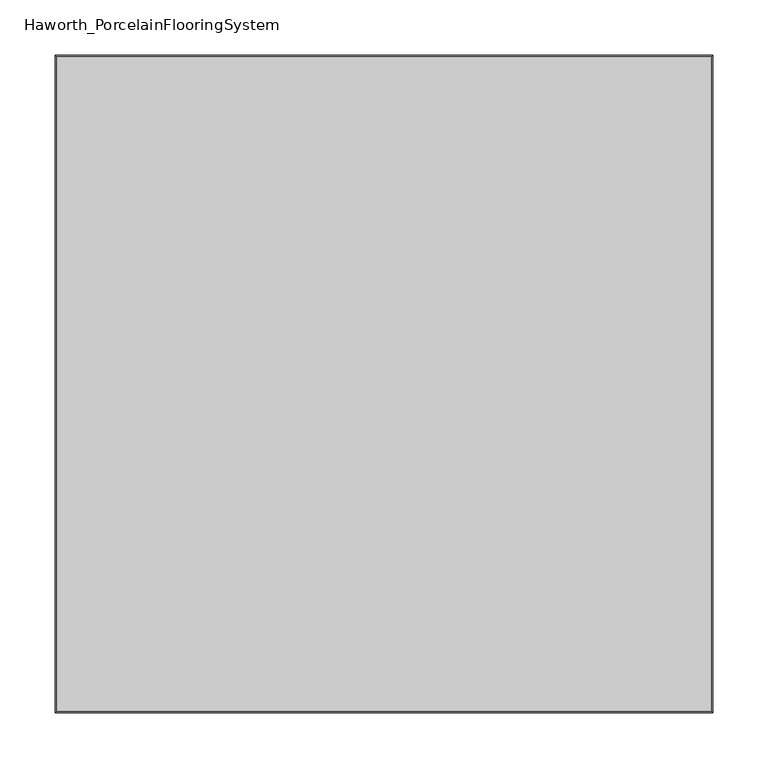
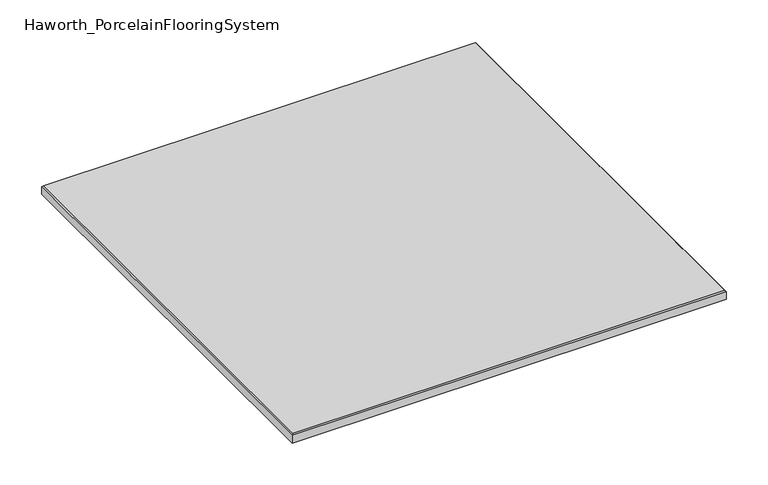
"""IFC4 building model written with IfcOpenShell, lengths in millimetres: proxy geometry, Haworth_PorcelainFlooringSystem."""

from ifc_helpers import new_model, si_unit, origin, place, context, project, spatial, faceted_brep, source, transform, mapped, element, save


def haworth_porcelainflooringsystem_99780e55(model_context):
    return source(origin(), model_context, "Body", "Brep", [
        faceted_brep([(299.0453125, 299.0453125, 9.525), (299.0453125, -299.0453125, 9.525), (-299.0453125, -299.0453125, 9.525), (-299.0453125, 299.0453125, 9.525), (-299.0453125, 299.0453125, 20.6375), (299.0453125, 299.0453125, 20.6375), (-299.0453125, -299.0453125, 20.6375), (299.0453125, -299.0453125, 20.6375), (297.4578125, 297.4578125, 22.225), (-297.4578125, 297.4578125, 22.225), (-297.4578125, -297.4578125, 22.225), (297.4578125, -297.4578125, 22.225)], [[[0, 1, 2, 3]], [[0, 3, 4, 5]], [[3, 2, 6, 4]], [[2, 1, 7, 6]], [[1, 0, 5, 7]], [[8, 9, 10, 11]], [[9, 8, 5, 4]], [[10, 9, 4, 6]], [[11, 10, 6, 7]], [[8, 11, 7, 5]]]),
    ])


if __name__ == "__main__":
    model = new_model("IFC4")
    model_context = context("Model", 3, world=origin())
    ifc_project = project(units=[si_unit("LENGTHUNIT", "METRE", prefix="MILLI")], contexts=[model_context])
    site = spatial("IfcSite", under=ifc_project)
    building = spatial("IfcBuilding", under=site)
    placement = place(None, origin())
    haworth_porcelainflooringsystem_shape = haworth_porcelainflooringsystem_99780e55(model_context)
    element("IfcBuildingElementProxy", 1, Name="Haworth_PorcelainFlooringSystem", ObjectType="Haworth_PorcelainFlooringSystem", at=placement, inside=building, context=model_context, shape_type="MappedRepresentation", body=[
        mapped(haworth_porcelainflooringsystem_shape, transform((0.0, 0.0, 0.0), x_axis=(1.0, 0.0, 0.0), y_axis=(0.0, 1.0, 0.0), z_axis=(0.0, 0.0, 1.0))),
    ])
    save(model, "model.ifc")
